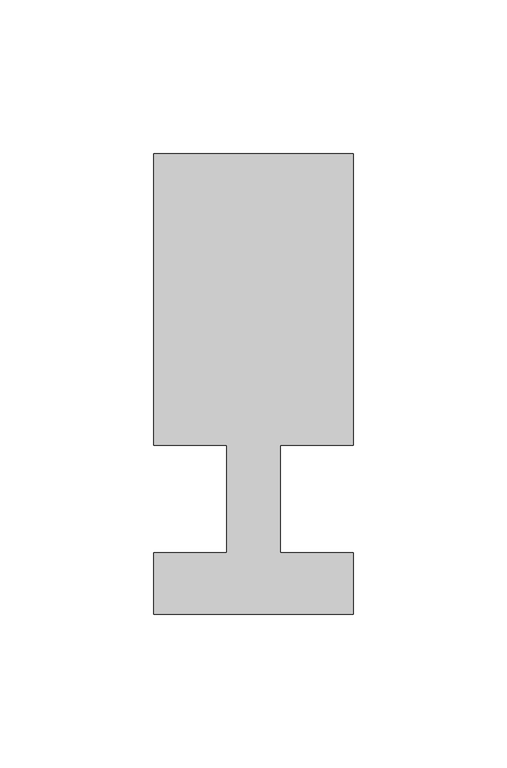
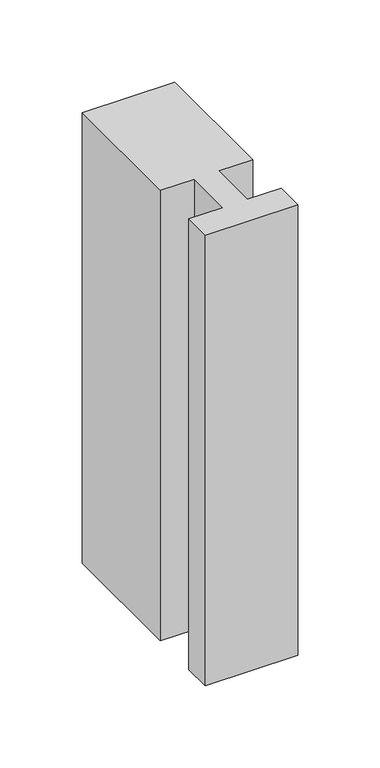
"""IFC4 building model written with IfcOpenShell, lengths in millimetres: member geometry."""

from ifc_helpers import new_model, si_unit, frame, origin, place, context, project, spatial, polyline, outline, extrude, source, transform, mapped, element, save


def member_e0c052bd(model_context):
    return source(origin(), model_context, "Body", "SweptSolid", [
        extrude(outline(polyline([(-65.0, -37.0), (-65.0, -17.0), (-41.1875, -17.0), (-41.1875, 18.0), (-65.0, 18.0), (-65.0, 113.0), (0.0, 113.0), (0.0, 18.0), (-23.8125, 18.0), (-23.8125, -17.0), (0.0, -17.0), (0.0, -37.0), (-65.0, -37.0)])), frame((0.0, 0.0, -335.0), z_axis=(0.0, 0.0, 1.0), x_axis=(1.0, 0.0, 0.0)), (0.0, 0.0, 1.0), 335.0),
    ])


if __name__ == "__main__":
    model = new_model("IFC4")
    model_context = context("Model", 3, world=origin())
    ifc_project = project(units=[si_unit("LENGTHUNIT", "METRE", prefix="MILLI")], contexts=[model_context])
    site = spatial("IfcSite", under=ifc_project)
    building = spatial("IfcBuilding", under=site)
    placement = place(None, origin())
    member_shape = member_e0c052bd(model_context)
    element("IfcMember", 1, at=placement, inside=building, context=model_context, shape_type="MappedRepresentation", body=[
        mapped(member_shape, transform((0.0, 0.0, 0.0), x_axis=(1.0, 0.0, 0.0), y_axis=(0.0, 1.0, 0.0), z_axis=(0.0, 0.0, 1.0))),
    ])
    save(model, "model.ifc")
